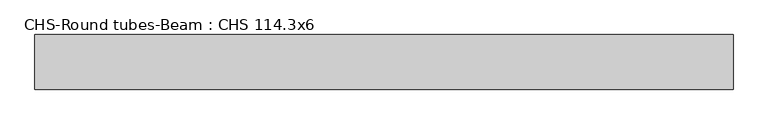
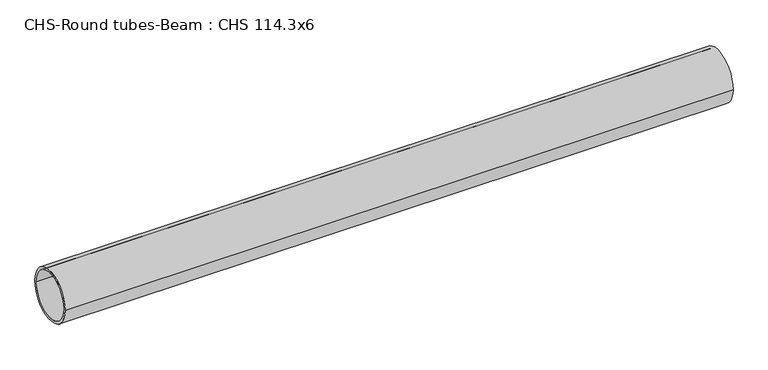
"""IFC4 building model written with IfcOpenShell, lengths in millimetres: beam geometry, CHS-Round tubes-Beam : CHS 114.3x6."""

from ifc_helpers import new_model, si_unit, point, frame, origin, origin_2d, place, context, project, spatial, circle_curve, trimmed, segment, composite_curve, outline, extrude, source, transform, mapped, element, save


def chs_round_tubes_beam_chs_114_3x6_5c3ba84f(model_context):
    return source(origin(), model_context, "Body", "SweptSolid", [
        extrude(outline(composite_curve([segment(trimmed(circle_curve(origin_2d(), 57.15), [point((57.15, 0.0))], [point((-57.15, 0.0))], False, "CARTESIAN"), True, "CONTINUOUS"), segment(trimmed(circle_curve(origin_2d(), 57.15), [point((-57.15, 0.0))], [point((57.15, 0.0))], False, "CARTESIAN"), True, "CONTINUOUS")], self_intersect=False), holes=[composite_curve([segment(trimmed(circle_curve(origin_2d(), 51.15), [point((51.15, 0.0))], [point((-51.15, 0.0))], True, "CARTESIAN"), True, "CONTINUOUS"), segment(trimmed(circle_curve(origin_2d(), 51.15), [point((-51.15, 0.0))], [point((51.15, 0.0))], True, "CARTESIAN"), True, "CONTINUOUS")], self_intersect=False)]), frame((-771.3080941, 0.0, 0.0), z_axis=(1.0, 0.0, 0.0), x_axis=(0.0, 1.0, 0.0)), (0.0, 0.0, 1.0), 1460.575012),
    ])


if __name__ == "__main__":
    model = new_model("IFC4")
    model_context = context("Model", 3, world=origin())
    ifc_project = project(units=[si_unit("LENGTHUNIT", "METRE", prefix="MILLI")], contexts=[model_context])
    site = spatial("IfcSite", under=ifc_project)
    building = spatial("IfcBuilding", under=site)
    placement = place(None, origin())
    chs_round_tubes_beam_chs_114_3x6_shape = chs_round_tubes_beam_chs_114_3x6_5c3ba84f(model_context)
    element("IfcBeam", 1, ObjectType="CHS-Round tubes-Beam : CHS 114.3x6", at=placement, inside=building, context=model_context, shape_type="MappedRepresentation", body=[
        mapped(chs_round_tubes_beam_chs_114_3x6_shape, transform((0.0, 0.0, 0.0), x_axis=(1.0, 0.0, 0.0), y_axis=(0.0, 1.0, 0.0), z_axis=(0.0, 0.0, 1.0))),
    ])
    save(model, "model.ifc")
